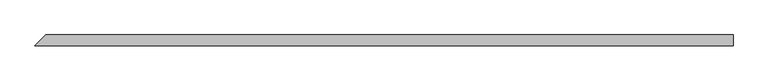
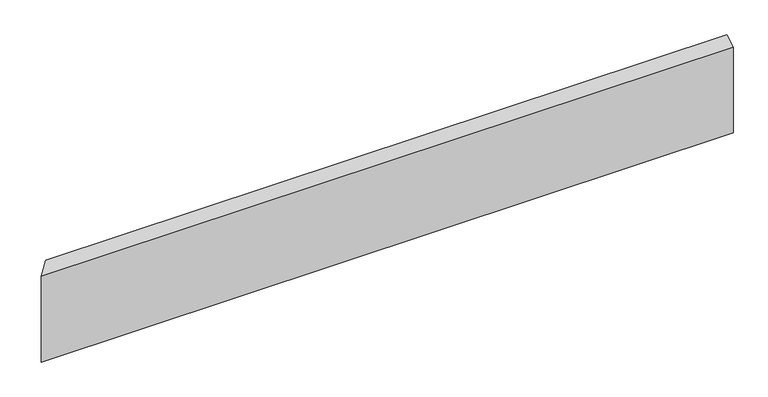
"""IFC4 building model written with IfcOpenShell, lengths in millimetres: beam geometry."""

from ifc_helpers import new_model, si_unit, origin, place, context, project, spatial, faceted_brep, source, transform, mapped, element, save


def beam_eff823f5(model_context):
    return source(origin(), model_context, "Body", "Brep", [
        faceted_brep([(595.3125, -9.525, 84.0878906), (-604.8375, -9.525, 84.0878906), (-604.8375, -9.525, -72.9753906), (595.3125, -9.525, -72.9753906), (595.3125, 9.525, 95.2003906), (595.3125, 9.525, -72.9753906), (-585.7875, 9.525, -72.9753906), (-585.7875, 9.525, 95.2003906)], [[[0, 1, 2, 3]], [[4, 5, 6, 7]], [[5, 4, 0, 3]], [[6, 5, 3, 2]], [[7, 6, 2, 1]], [[4, 7, 1, 0]]]),
    ])


if __name__ == "__main__":
    model = new_model("IFC4")
    model_context = context("Model", 3, world=origin())
    ifc_project = project(units=[si_unit("LENGTHUNIT", "METRE", prefix="MILLI")], contexts=[model_context])
    site = spatial("IfcSite", under=ifc_project)
    building = spatial("IfcBuilding", under=site)
    placement = place(None, origin())
    beam_shape = beam_eff823f5(model_context)
    element("IfcBeam", 1, at=placement, inside=building, context=model_context, shape_type="MappedRepresentation", body=[
        mapped(beam_shape, transform((0.0, 0.0, 0.0), x_axis=(1.0, 0.0, 0.0), y_axis=(0.0, 1.0, 0.0), z_axis=(0.0, 0.0, 1.0))),
    ])
    save(model, "model.ifc")
